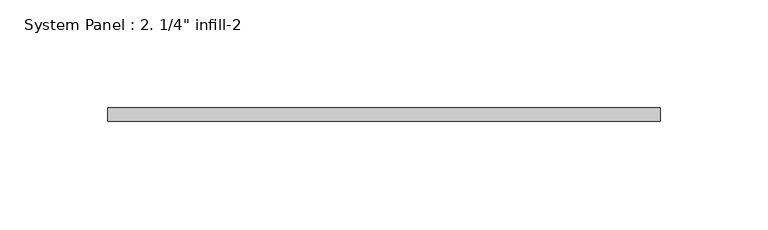
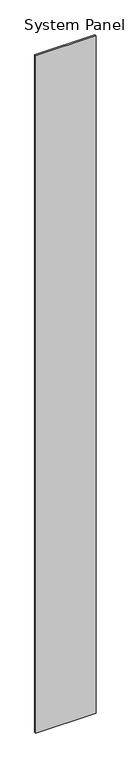
"""IFC4 building model written with IfcOpenShell, lengths in millimetres: plate geometry."""

from ifc_helpers import new_model, si_unit, origin, origin_with_axes, place, context, project, spatial, polyline, outline, extrude, source, transform, mapped, element, save


def plate_7de0cd47(model_context):
    return source(origin(), model_context, "Body", "SweptSolid", [
        extrude(outline(polyline([(128.5425479, -6.35), (-128.5425479, -6.35), (-128.5425479, 0.0), (128.5425479, 0.0), (128.5425479, -6.35)])), origin_with_axes(), (0.0, 0.0, 1.0), 3048.0),
    ])


if __name__ == "__main__":
    model = new_model("IFC4")
    model_context = context("Model", 3, world=origin())
    ifc_project = project(units=[si_unit("LENGTHUNIT", "METRE", prefix="MILLI")], contexts=[model_context])
    site = spatial("IfcSite", under=ifc_project)
    building = spatial("IfcBuilding", under=site)
    placement = place(None, origin())
    plate_shape = plate_7de0cd47(model_context)
    element("IfcPlate", 1, ObjectType="System Panel : 2. 1/4\" infill-2", at=placement, inside=building, context=model_context, shape_type="MappedRepresentation", body=[
        mapped(plate_shape, transform((0.0, 0.0, 0.0), x_axis=(1.0, 0.0, 0.0), y_axis=(0.0, 1.0, 0.0), z_axis=(0.0, 0.0, 1.0))),
    ])
    save(model, "model.ifc")
